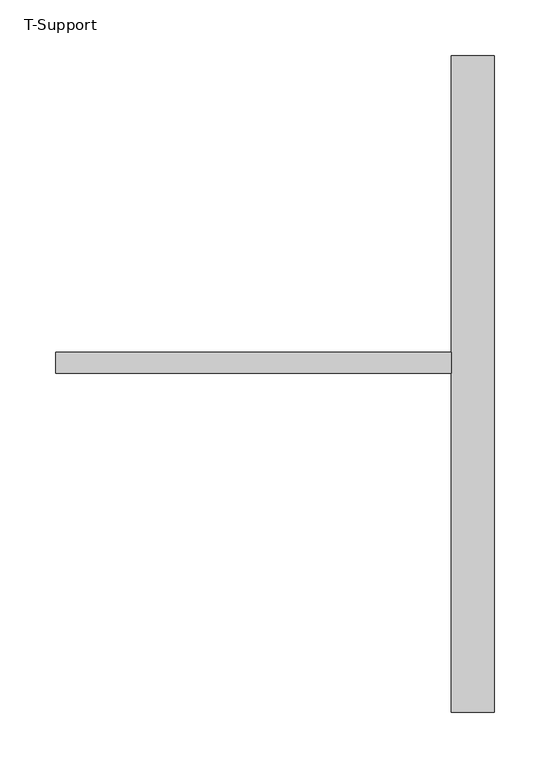
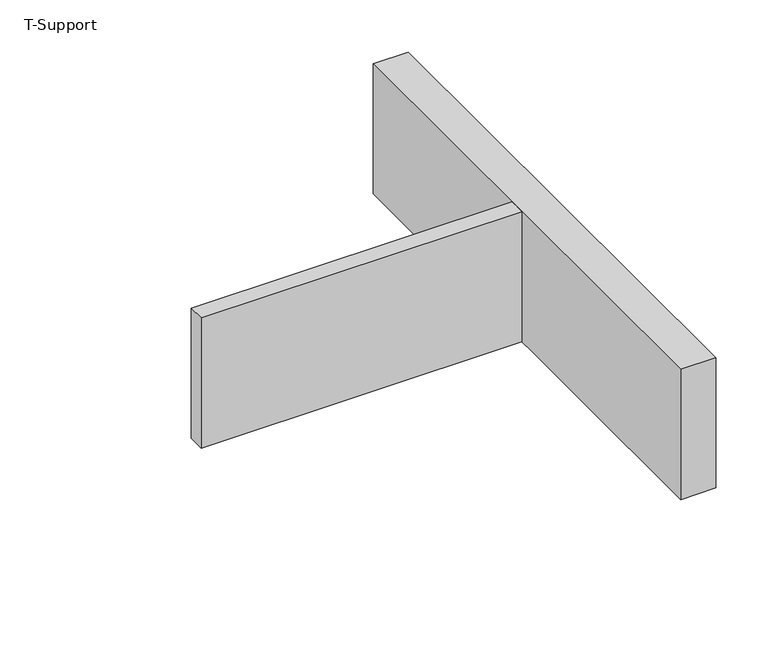
"""IFC4 building model written with IfcOpenShell, lengths in millimetres: furniture geometry, T-Support."""

from ifc_helpers import new_model, si_unit, frame, origin, place, context, project, spatial, polyline, outline, extrude, source, transform, mapped, element, save


def t_support_d0bbadcb(model_context):
    return source(origin(), model_context, "Body", "SweptSolid", [
        extrude(outline(polyline([(1613.69375, -539.75), (1613.69375, -558.8), (1258.09375, -558.8), (1258.09375, -539.75), (1613.69375, -539.75)])), frame((0.0, 0.0, 555.625), z_axis=(0.0, 0.0, 1.0), x_axis=(1.0, 0.0, 0.0)), (0.0, 0.0, 1.0), 152.4),
        extrude(outline(polyline([(1652.5875, -273.05), (1652.5875, -863.6), (1613.69375, -863.6), (1613.69375, -273.05), (1652.5875, -273.05)])), frame((0.0, 0.0, 555.625), z_axis=(0.0, 0.0, 1.0), x_axis=(1.0, 0.0, 0.0)), (0.0, 0.0, 1.0), 152.4),
    ])


if __name__ == "__main__":
    model = new_model("IFC4")
    model_context = context("Model", 3, world=origin())
    ifc_project = project(units=[si_unit("LENGTHUNIT", "METRE", prefix="MILLI")], contexts=[model_context])
    site = spatial("IfcSite", under=ifc_project)
    building = spatial("IfcBuilding", under=site)
    placement = place(None, origin())
    t_support_shape = t_support_d0bbadcb(model_context)
    element("IfcFurniture", 1, ObjectType="T-Support", at=placement, inside=building, context=model_context, shape_type="MappedRepresentation", body=[
        mapped(t_support_shape, transform((0.0, 0.0, 0.0), x_axis=(1.0, 0.0, 0.0), y_axis=(0.0, 1.0, 0.0), z_axis=(0.0, 0.0, 1.0))),
    ])
    save(model, "model.ifc")
